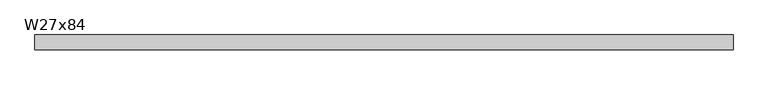
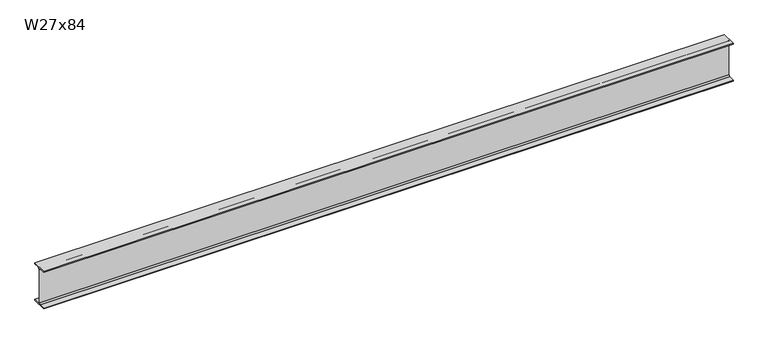
"""IFC4 building model written with IfcOpenShell, lengths in millimetres: beam geometry, W27x84."""

from ifc_helpers import new_model, si_unit, point, frame, frame_2d, origin, place, context, project, spatial, polyline, circle_curve, trimmed, segment, composite_curve, outline, extrude, source, transform, mapped, element, save


def w27x84_f294e34a(model_context):
    return source(origin(), model_context, "Body", "SweptSolid", [
        extrude(outline(composite_curve([segment(polyline([(127.0, -322.834), (127.0, -339.09), (-127.0, -339.09), (-127.0, -322.834), (-29.2735, -322.834)]), True, "CONTINUOUS"), segment(trimmed(circle_curve(frame_2d((-29.2735, -299.4025)), 23.4315), [point((-29.2735, -322.834))], [point((-5.842, -299.4025))], True, "CARTESIAN"), True, "CONTINUOUS"), segment(polyline([(-5.842, -299.4025), (-5.842, 299.4025)]), True, "CONTINUOUS"), segment(trimmed(circle_curve(frame_2d((-29.2735, 299.4025)), 23.4315), [point((-5.842, 299.4025))], [point((-29.2735, 322.834))], True, "CARTESIAN"), True, "CONTINUOUS"), segment(polyline([(-29.2735, 322.834), (-127.0, 322.834), (-127.0, 339.09), (127.0, 339.09), (127.0, 322.834), (29.2735, 322.834)]), True, "CONTINUOUS"), segment(trimmed(circle_curve(frame_2d((29.2735, 299.4025)), 23.4315), [point((29.2735, 322.834))], [point((5.842, 299.4025))], True, "CARTESIAN"), True, "CONTINUOUS"), segment(polyline([(5.842, 299.4025), (5.842, -299.4025)]), True, "CONTINUOUS"), segment(trimmed(circle_curve(frame_2d((29.2735, -299.4025)), 23.4315), [point((5.842, -299.4025))], [point((29.2735, -322.834))], True, "CARTESIAN"), True, "CONTINUOUS"), segment(polyline([(29.2735, -322.834), (127.0, -322.834)]), True, "CONTINUOUS")], self_intersect=False)), frame((-5905.373, 0.0, 0.0), z_axis=(1.0, 0.0, 0.0), x_axis=(0.0, 1.0, 0.0)), (0.0, 0.0, 1.0), 11758.803),
    ])


if __name__ == "__main__":
    model = new_model("IFC4")
    model_context = context("Model", 3, world=origin())
    ifc_project = project(units=[si_unit("LENGTHUNIT", "METRE", prefix="MILLI")], contexts=[model_context])
    site = spatial("IfcSite", under=ifc_project)
    building = spatial("IfcBuilding", under=site)
    placement = place(None, origin())
    w27x84_shape = w27x84_f294e34a(model_context)
    element("IfcBeam", 1, ObjectType="W27x84", at=placement, inside=building, context=model_context, shape_type="MappedRepresentation", body=[
        mapped(w27x84_shape, transform((0.0, 0.0, 0.0), x_axis=(1.0, 0.0, 0.0), y_axis=(0.0, 1.0, 0.0), z_axis=(0.0, 0.0, 1.0))),
    ])
    save(model, "model.ifc")
